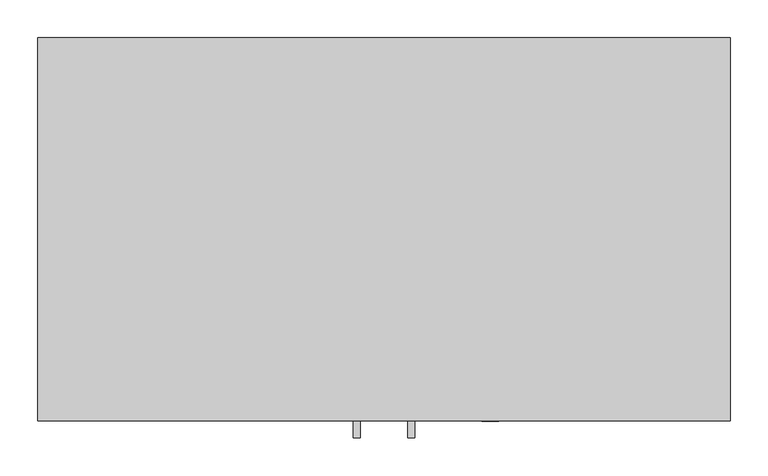
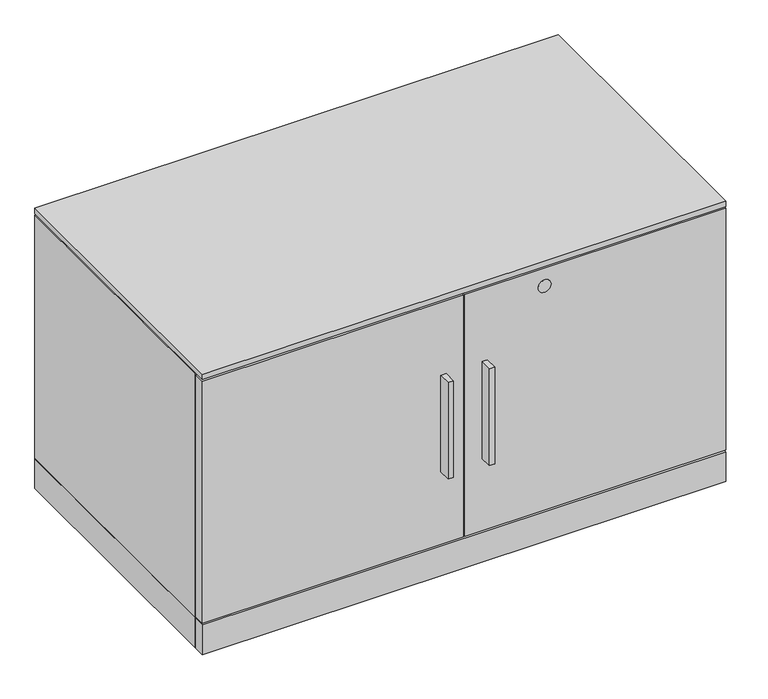
"""IFC4 building model written with IfcOpenShell, lengths in millimetres: furniture geometry."""

from ifc_helpers import new_model, si_unit, point, frame, frame_2d, origin, origin_with_axes, place, context, project, spatial, polyline, circle_curve, trimmed, segment, composite_curve, outline, extrude, faceted_brep, source, transform, mapped, element, save


def furniture_c6de56f4(model_context):
    return source(origin(), model_context, "Body", "SolidModel", [
        extrude(outline(polyline([(416.4965, -528.574), (416.4965, -506.349), (426.0215, -506.349), (426.0215, -528.574), (416.4965, -528.574)])), frame((0.0, 0.0, 195.4021939), z_axis=(0.0, 0.0, 1.0), x_axis=(1.0, 0.0, 0.0)), (0.0, 0.0, 1.0), 177.8),
        extrude(outline(polyline([(497.9035, -528.574), (488.3785, -528.574), (488.3785, -506.349), (497.9035, -506.349), (497.9035, -528.574)])), frame((0.0, 0.0, 195.4021939), z_axis=(0.0, 0.0, 1.0), x_axis=(1.0, 0.0, 0.0)), (0.0, 0.0, 1.0), 177.8),
        extrude(outline(polyline([(912.8125, -1.524), (912.8125, -483.235), (1.5875, -483.235), (1.5875, -1.524), (912.8125, -1.524)])), frame((0.0, 0.0, 3.5814), z_axis=(0.0, 0.0, 1.0), x_axis=(1.0, 0.0, 0.0)), (0.0, 0.0, 1.0), 55.1688),
        extrude(outline(polyline([(912.8125, -487.045), (912.8125, -506.349), (1.5875, -506.349), (1.5875, -487.045), (912.8125, -487.045)])), frame((0.0, 0.0, 3.5814), z_axis=(0.0, 0.0, 1.0), x_axis=(1.0, 0.0, 0.0)), (0.0, 0.0, 1.0), 55.1688),
        extrude(outline(composite_curve([segment(trimmed(circle_curve(frame_2d((474.5482, 597.3699)), 11.176), [point((474.5482, 608.5459))], [point((474.5482, 586.1939))], False, "CARTESIAN"), True, "CONTINUOUS"), segment(trimmed(circle_curve(frame_2d((474.5482, 597.3699)), 11.176), [point((474.5482, 586.1939))], [point((474.5482, 608.5459))], False, "CARTESIAN"), True, "CONTINUOUS")], self_intersect=False)), frame((0.0, -506.603, 0.0), z_axis=(0.0, 1.0, 0.0), x_axis=(0.0, 0.0, 1.0)), (0.0, 0.0, 1.0), 4.69392),
        extrude(outline(polyline([(455.6125, -506.349), (1.5875, -506.349), (1.5875, -487.045), (455.6125, -487.045), (455.6125, -506.349)])), frame((0.0, 0.0, 61.9252), z_axis=(0.0, 0.0, 1.0), x_axis=(1.0, 0.0, 0.0)), (0.0, 0.0, 1.0), 445.4652),
        extrude(outline(polyline([(912.8125, -506.349), (458.7875, -506.349), (458.7875, -487.045), (912.8125, -487.045), (912.8125, -506.349)])), frame((0.0, 0.0, 61.9252), z_axis=(0.0, 0.0, 1.0), x_axis=(1.0, 0.0, 0.0)), (0.0, 0.0, 1.0), 445.4652),
        extrude(outline(polyline([(46.1772, -27.7114), (61.8363, -36.7521856), (61.8363, -54.8337568), (46.1772, -63.8745424), (30.5181, -54.8337568), (30.5181, -36.7521856), (46.1772, -27.7114)])), origin_with_axes(), (0.0, 0.0, 1.0), 8.4328),
        extrude(outline(polyline([(46.1772, -480.1616), (30.5181, -471.1208144), (30.5181, -453.0392432), (46.1772, -443.9984576), (61.8363, -453.0392432), (61.8363, -471.1208144), (46.1772, -480.1616)])), origin_with_axes(), (0.0, 0.0, 1.0), 8.4328),
        extrude(outline(polyline([(868.2228, -27.7114), (883.8819, -36.7521856), (883.8819, -54.8337568), (868.2228, -63.8745424), (852.5637, -54.8337568), (852.5637, -36.7521856), (868.2228, -27.7114)])), origin_with_axes(), (0.0, 0.0, 1.0), 8.4328),
        extrude(outline(polyline([(868.2228, -480.1616), (852.5637, -471.1208144), (852.5637, -453.0392432), (868.2228, -443.9984576), (883.8819, -453.0392432), (883.8819, -471.1208144), (868.2228, -480.1616)])), origin_with_axes(), (0.0, 0.0, 1.0), 8.4328),
        extrude(outline(polyline([(912.8125, -506.349), (1.5875, -506.349), (1.5875, -1.524), (912.8125, -1.524), (912.8125, -506.349)])), frame((0.0, 0.0, 510.5654), z_axis=(0.0, 0.0, 1.0), x_axis=(1.0, 0.0, 0.0)), (0.0, 0.0, 1.0), 9.779),
        faceted_brep([(912.8125, -1.524, 507.3904), (912.8125, -1.524, 58.7502), (1.5875, -1.524, 58.7502), (1.5875, -1.524, 507.3904), (1.5875, -483.235, 507.3904), (912.8125, -483.235, 507.3904), (1.5875, -483.235, 58.7502), (912.8125, -483.235, 58.7502), (890.5875, -23.749, 489.9152), (23.8125, -23.749, 489.9152), (23.8125, -23.749, 79.4004), (890.5875, -23.749, 79.4004), (890.5875, -483.235, 489.9152), (23.8125, -483.235, 489.9152), (23.8125, -483.235, 79.4004), (890.5875, -483.235, 79.4004)], [[[0, 1, 2, 3]], [[0, 3, 4, 5]], [[3, 2, 6, 4]], [[2, 1, 7, 6]], [[1, 0, 5, 7]], [[8, 9, 10, 11]], [[9, 8, 12, 13]], [[10, 9, 13, 14]], [[11, 10, 14, 15]], [[8, 11, 15, 12]], [[5, 4, 6, 7], [13, 12, 15, 14]]]),
    ])


if __name__ == "__main__":
    model = new_model("IFC4")
    model_context = context("Model", 3, world=origin())
    ifc_project = project(units=[si_unit("LENGTHUNIT", "METRE", prefix="MILLI")], contexts=[model_context])
    site = spatial("IfcSite", under=ifc_project)
    building = spatial("IfcBuilding", under=site)
    placement = place(None, origin())
    furniture_shape = furniture_c6de56f4(model_context)
    element("IfcFurniture", 1, at=placement, inside=building, context=model_context, shape_type="MappedRepresentation", body=[
        mapped(furniture_shape, transform((0.0, 0.0, 0.0), x_axis=(1.0, 0.0, 0.0), y_axis=(0.0, 1.0, 0.0), z_axis=(0.0, 0.0, 1.0))),
    ])
    save(model, "model.ifc")
